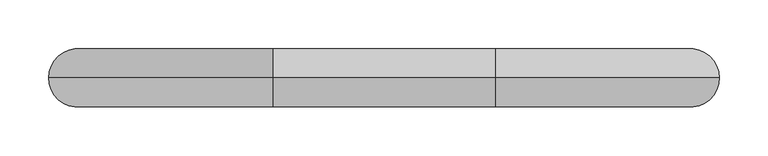
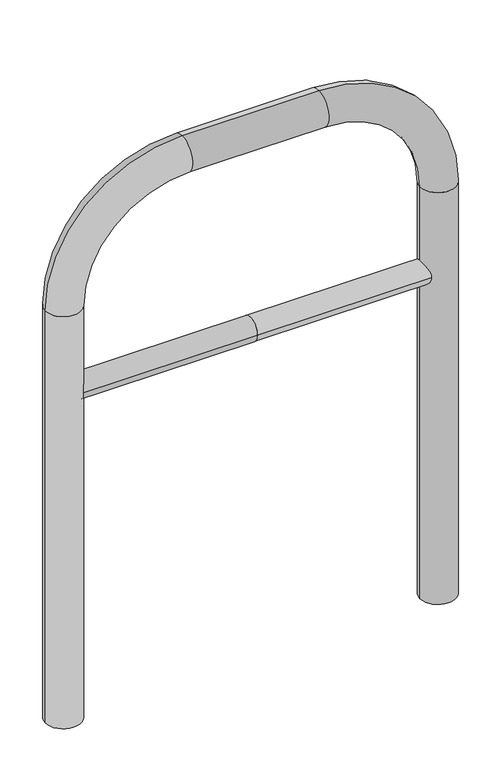
"""IFC4 building model written with IfcOpenShell, lengths in millimetres: proxy geometry."""

from ifc_helpers import new_model, si_unit, point, frame, frame_2d, origin, place, context, project, spatial, circle_curve, ellipse_curve, trimmed, segment, composite_curve, outline, extrude, source, transform, mapped, element, save
from ifc_brep_helpers import plane_surface, cylinder_surface, revolved_surface, advanced_brep


def generic_models_da9171c9(model_context):
    return source(origin(), model_context, "Body", "SolidModel", [
        extrude(outline(composite_curve([segment(trimmed(circle_curve(frame_2d((0.0, 498.4778375)), 20.0), [point((-20.0, 498.4778375))], [point((20.0, 498.4778375))], False, "CARTESIAN"), True, "CONTINUOUS"), segment(trimmed(circle_curve(frame_2d((0.0, 498.4778375)), 20.0), [point((20.0, 498.4778375))], [point((-20.0, 498.4778375))], False, "CARTESIAN"), True, "CONTINUOUS")], self_intersect=False)), frame((-314.555778, 0.0, 0.0), z_axis=(1.0, 0.0, 0.0), x_axis=(0.0, 1.0, 0.0)), (0.0, 0.0, 1.0), 314.555778),
        extrude(outline(composite_curve([segment(trimmed(circle_curve(frame_2d((0.0, 498.4778375)), 20.0), [point((-20.0, 498.4778375))], [point((20.0, 498.4778375))], False, "CARTESIAN"), True, "CONTINUOUS"), segment(trimmed(circle_curve(frame_2d((0.0, 498.4778375)), 20.0), [point((20.0, 498.4778375))], [point((-20.0, 498.4778375))], False, "CARTESIAN"), True, "CONTINUOUS")], self_intersect=False)), frame((0.0, 0.0, 0.0), z_axis=(1.0, 0.0, 0.0), x_axis=(0.0, 1.0, 0.0)), (0.0, 0.0, 1.0), 314.555778),
        advanced_brep(
        [(-284.555778, 0.0, -80.0), (-344.555778, 0.0, -80.0), (-284.555778, 0.0, 650.0), (-344.555778, 0.0, 650.0), (-114.555778, 0.0, 880.0), (-114.555778, 0.0, 820.0), (114.555778, 0.0, 820.0), (114.555778, 0.0, 880.0), (344.555778, 0.0, 650.0), (284.555778, 0.0, 650.0), (284.555778, 0.0, -80.0), (344.555778, 0.0, -80.0)],
        [
            (0, 1, circle_curve(frame((-314.555778, 0.0, -80.0), z_axis=(0.0, 0.0, -1.0), x_axis=(-1.0, 0.0, 0.0)), 30.0)),
            (1, 0, circle_curve(frame((-314.555778, 0.0, -80.0), z_axis=(0.0, 0.0, -1.0), x_axis=(-1.0, 0.0, 0.0)), 30.0)),
            (0, 2),
            (2, 3, circle_curve(frame((-314.555778, 0.0, 650.0), z_axis=(0.0, 0.0, -1.0), x_axis=(-1.0, 0.0, 0.0)), 30.0)),
            (3, 1),
            (3, 2, circle_curve(frame((-314.555778, 0.0, 650.0), z_axis=(0.0, 0.0, -1.0), x_axis=(-1.0, 0.0, 0.0)), 30.0)),
            (4, 3, circle_curve(frame((-114.555778, 0.0, 650.0), z_axis=(0.0, -1.0, 0.0), x_axis=(-1.0, 0.0, 0.0)), 230.0)),
            (2, 5, circle_curve(frame((-114.555778, 0.0, 650.0), z_axis=(0.0, 1.0, 0.0), x_axis=(-1.0, 0.0, 0.0)), 170.0)),
            (5, 4, circle_curve(frame((-114.555778, 0.0, 850.0), z_axis=(-1.0, 0.0, 0.0), x_axis=(0.0, 0.0, 1.0)), 30.0)),
            (4, 5, circle_curve(frame((-114.555778, 0.0, 850.0), z_axis=(-1.0, 0.0, 0.0), x_axis=(0.0, 0.0, 1.0)), 30.0)),
            (5, 6),
            (6, 7, circle_curve(frame((114.555778, 0.0, 850.0), z_axis=(-1.0, 0.0, 0.0), x_axis=(0.0, 0.0, 1.0)), 30.0)),
            (7, 4),
            (7, 6, circle_curve(frame((114.555778, 0.0, 850.0), z_axis=(-1.0, 0.0, 0.0), x_axis=(0.0, 0.0, 1.0)), 30.0)),
            (8, 7, circle_curve(frame((114.555778, 0.0, 650.0), z_axis=(0.0, -1.0, 0.0), x_axis=(0.0, 0.0, 1.0)), 230.0)),
            (6, 9, circle_curve(frame((114.555778, 0.0, 650.0), z_axis=(0.0, 1.0, 0.0), x_axis=(0.0, 0.0, 1.0)), 170.0)),
            (9, 8, circle_curve(frame((314.555778, 0.0, 650.0), z_axis=(0.0, 0.0, 1.0), x_axis=(1.0, 0.0, 0.0)), 30.0)),
            (8, 9, circle_curve(frame((314.555778, 0.0, 650.0), z_axis=(0.0, 0.0, 1.0), x_axis=(1.0, 0.0, 0.0)), 30.0)),
            (10, 11, circle_curve(frame((314.555778, 0.0, -80.0), z_axis=(0.0, 0.0, -1.0), x_axis=(1.0, 0.0, 0.0)), 30.0)),
            (11, 10, circle_curve(frame((314.555778, 0.0, -80.0), z_axis=(0.0, 0.0, -1.0), x_axis=(1.0, 0.0, 0.0)), 30.0)),
            (9, 10),
            (11, 8),
        ],
        [
            plane_surface(frame((-314.555778, 0.0, -80.0), z_axis=(0.0, 0.0, -1.0), x_axis=(0.0, -1.0, 0.0))),
            cylinder_surface(frame((-314.555778, 0.0, -80.0), z_axis=(0.0, 0.0, -1.0), x_axis=(-1.0, 0.0, 0.0)), 30.0),
            revolved_surface(trimmed(ellipse_curve(frame((-314.555778, 0.0, 650.0), z_axis=(0.0, 0.0, -1.0), x_axis=(-1.0, 0.0, 0.0)), 30.0, 30.0), [point((-284.555778, 0.0, 650.0))], [point((-344.555778, 0.0, 650.0))], True, "CARTESIAN"), (-114.555778, 0.0, 650.0), (0.0, 1.0, 0.0)),
            revolved_surface(trimmed(ellipse_curve(frame((-314.555778, 0.0, 650.0), z_axis=(0.0, 0.0, -1.0), x_axis=(-1.0, 0.0, 0.0)), 30.0, 30.0), [point((-344.555778, 0.0, 650.0))], [point((-284.555778, 0.0, 650.0))], True, "CARTESIAN"), (-114.555778, 0.0, 650.0), (0.0, 1.0, 0.0)),
            cylinder_surface(frame((-114.555778, 0.0, 850.0), z_axis=(-1.0, 0.0, 0.0), x_axis=(0.0, 0.0, 1.0)), 30.0),
            revolved_surface(trimmed(ellipse_curve(frame((114.555778, 0.0, 850.0), z_axis=(-1.0, 0.0, 0.0), x_axis=(0.0, 0.0, 1.0)), 30.0, 30.0), [point((114.555778, 0.0, 820.0))], [point((114.555778, 0.0, 880.0))], True, "CARTESIAN"), (114.555778, 0.0, 650.0), (0.0, 1.0, 0.0)),
            revolved_surface(trimmed(ellipse_curve(frame((114.555778, 0.0, 850.0), z_axis=(-1.0, 0.0, 0.0), x_axis=(0.0, 0.0, 1.0)), 30.0, 30.0), [point((114.555778, 0.0, 880.0))], [point((114.555778, 0.0, 820.0))], True, "CARTESIAN"), (114.555778, 0.0, 650.0), (0.0, 1.0, 0.0)),
            plane_surface(frame((314.555778, 0.0, -80.0), z_axis=(0.0, 0.0, -1.0), x_axis=(0.0, -1.0, 0.0))),
            cylinder_surface(frame((314.555778, 0.0, 650.0), z_axis=(0.0, 0.0, 1.0), x_axis=(1.0, 0.0, 0.0)), 30.0),
        ],
        [
            (0, [[1, 2]]),
            (1, [[-1, 3, 4, 5]]),
            (1, [[-2, -5, 6, -3]]),
            (2, [[7, -4, 8, 9]]),
            (3, [[-8, -6, -7, 10]]),
            (4, [[-9, 11, 12, 13]]),
            (4, [[-10, -13, 14, -11]]),
            (5, [[15, -12, 16, 17]]),
            (6, [[-16, -14, -15, 18]]),
            (7, [[19, 20]]),
            (8, [[-17, 21, -20, 22]]),
            (8, [[-18, -22, -19, -21]]),
        ],
    ),
    ])


if __name__ == "__main__":
    model = new_model("IFC4")
    model_context = context("Model", 3, world=origin())
    ifc_project = project(units=[si_unit("LENGTHUNIT", "METRE", prefix="MILLI")], contexts=[model_context])
    site = spatial("IfcSite", under=ifc_project)
    building = spatial("IfcBuilding", under=site)
    placement = place(None, origin())
    generic_models_shape = generic_models_da9171c9(model_context)
    element("IfcBuildingElementProxy", 1, Name="Generic Models", at=placement, inside=building, context=model_context, shape_type="MappedRepresentation", body=[
        mapped(generic_models_shape, transform((0.0, 0.0, 0.0), x_axis=(1.0, 0.0, 0.0), y_axis=(0.0, 1.0, 0.0), z_axis=(0.0, 0.0, 1.0))),
    ])
    save(model, "model.ifc")
